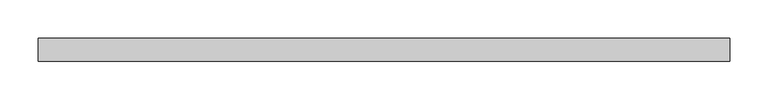
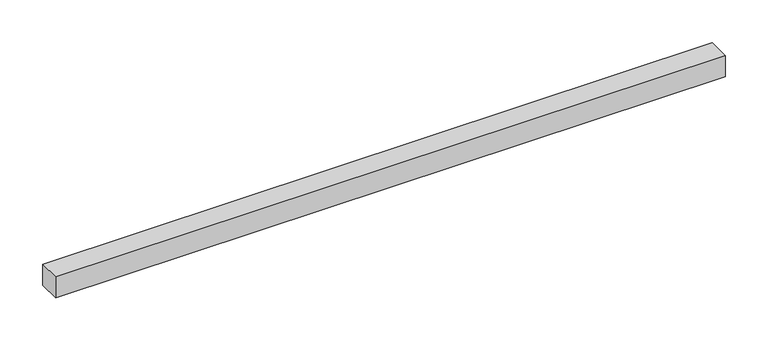
"""IFC4 building model written with IfcOpenShell, lengths in millimetres: proxy geometry."""

import ifcopenshell
import ifcopenshell.guid

model = None  # the IFC model being written
_history = None  # IfcOwnerHistory: only IFC2X3 demands one
_inside = {}  # id of a spatial element -> (the spatial element, [elements in it])
_under = {}  # id of a project, library or spatial element -> (it, [spatial elements below it])
_declared = {}  # id of a project -> (the project, [libraries it declares])
_typed = {}  # id of a type object -> (the type object, [elements of that type])
_made_of = {}  # id of a material, layer set ... -> (it, [elements and type objects made of it])


def new_model(schema):
    """Start an empty IFC model of exactly this schema.

    Asked for "IFC4X3", IfcOpenShell would pick the latest addendum, in which some entities
    have other attributes; the version numbers below select the first issue.
    IFC2X3 requires an IfcOwnerHistory on every rooted entity: one is made here for all.
    """
    global model, _history
    if schema == "IFC4X3":
        model = ifcopenshell.file(schema_version=(4, 3, 0, 0))
    else:
        model = ifcopenshell.file(schema=schema)
    _inside.clear()
    _under.clear()
    _declared.clear()
    _typed.clear()
    _made_of.clear()
    _history = None
    if model.schema == "IFC2X3":
        org = make("IfcOrganization", Name="unknown")
        user = make(
            "IfcPersonAndOrganization",
            ThePerson=make("IfcPerson", FamilyName="unknown"),
            TheOrganization=org,
        )
        app = make(
            "IfcApplication",
            ApplicationDeveloper=org,
            Version="unknown",
            ApplicationFullName="unknown",
            ApplicationIdentifier="unknown",
        )
        _history = make(
            "IfcOwnerHistory",
            OwningUser=user,
            OwningApplication=app,
            ChangeAction="ADDED",
            CreationDate=0,
        )
    return model


def make(cls, **values):
    """One entity of the class cls with the attributes given. An attribute that is None is left unset."""
    return model.create_entity(
        cls, **{name: value for name, value in values.items() if value is not None}
    )


def rooted(cls, **values):
    """An entity with a GlobalId (a new one), such as an element, a storey or a relation."""
    return make(cls, GlobalId=ifcopenshell.guid.new(), OwnerHistory=_history, **values)


def si_unit(unit_type, name, prefix=None):
    """IfcSIUnit, for example si_unit("LENGTHUNIT", "METRE", prefix="MILLI")."""
    return make("IfcSIUnit", UnitType=unit_type, Prefix=prefix, Name=name)


def assignment(units):
    """IfcUnitAssignment: the units of a project."""
    return None if units is None else make("IfcUnitAssignment", Units=units)


def point(xyz):
    """IfcCartesianPoint."""
    return None if xyz is None else make("IfcCartesianPoint", Coordinates=xyz)


def direction(xyz):
    """IfcDirection."""
    return None if xyz is None else make("IfcDirection", DirectionRatios=xyz)


def frame(location, z_axis=None, x_axis=None):
    """IfcAxis2Placement3D, a coordinate frame: its origin and axes. An axis left out is left unset."""
    return make(
        "IfcAxis2Placement3D",
        Location=point(location),
        Axis=direction(z_axis),
        RefDirection=direction(x_axis),
    )


def origin():
    """The frame at (0, 0, 0) with its axes left unset."""
    return frame((0.0, 0.0, 0.0))


def place(relative_to, where):
    """IfcLocalPlacement: puts the frame where relative to a parent placement (None: the world)."""
    return make(
        "IfcLocalPlacement", PlacementRelTo=relative_to, RelativePlacement=where
    )


def context(
    kind, dimensions, precision=None, world=None, true_north=None, identifier=None
):
    """IfcGeometricRepresentationContext, for example the 3D "Model" context."""
    return make(
        "IfcGeometricRepresentationContext",
        ContextIdentifier=identifier,
        ContextType=kind,
        CoordinateSpaceDimension=dimensions,
        Precision=precision,
        WorldCoordinateSystem=world,
        TrueNorth=true_north,
    )


def project(units=None, contexts=None):
    """IfcProject with its units and contexts."""
    return rooted(
        "IfcProject",
        Name="project",
        RepresentationContexts=contexts,
        UnitsInContext=assignment(units),
    )


def spatial(cls, under=None, at=None, **own):
    """A site, building, storey or space (cls), placed at a placement, below another one or the project."""
    s = rooted(cls, ObjectPlacement=at, **own)
    if under is not None:
        _under.setdefault(under.id(), (under, []))[1].append(s)
    return s


def polyline(points):
    """IfcPolyline through the points."""
    return make("IfcPolyline", Points=[point(p) for p in points])


def outline(outer, holes=None, kind="AREA"):
    """IfcArbitraryClosedProfileDef: a profile drawn as a closed curve; with holes, ...WithVoids."""
    if holes is None:
        return make("IfcArbitraryClosedProfileDef", ProfileType=kind, OuterCurve=outer)
    return make(
        "IfcArbitraryProfileDefWithVoids",
        ProfileType=kind,
        OuterCurve=outer,
        InnerCurves=holes,
    )


def extrude(swept, where, along, depth):
    """IfcExtrudedAreaSolid: the profile swept, set in the frame where, extruded along a direction by depth."""
    return make(
        "IfcExtrudedAreaSolid",
        SweptArea=swept,
        Position=where,
        ExtrudedDirection=direction(along),
        Depth=depth,
    )


def shape(context_of_items, identifier, shape_type, items):
    """IfcShapeRepresentation: the items that make up one representation, for example the "Body"."""
    return make(
        "IfcShapeRepresentation",
        ContextOfItems=context_of_items,
        RepresentationIdentifier=identifier,
        RepresentationType=shape_type,
        Items=items,
    )


def source(mapping_origin, context_of_items, identifier, shape_type, items):
    """IfcRepresentationMap: a shape defined once, which mapped items show again and again."""
    return make(
        "IfcRepresentationMap",
        MappingOrigin=mapping_origin,
        MappedRepresentation=shape(context_of_items, identifier, shape_type, items),
    )


def transform(
    local_origin,
    x_axis=None,
    y_axis=None,
    z_axis=None,
    scale=None,
    scale2=None,
    scale3=None,
    uniform=True,
):
    """IfcCartesianTransformationOperator3D, or its non-uniform kind. x_axis, y_axis, z_axis: its Axis1, 2, 3."""
    if uniform:
        return make(
            "IfcCartesianTransformationOperator3D",
            Axis1=direction(x_axis),
            Axis2=direction(y_axis),
            LocalOrigin=point(local_origin),
            Scale=scale,
            Axis3=direction(z_axis),
        )
    return make(
        "IfcCartesianTransformationOperator3DnonUniform",
        Axis1=direction(x_axis),
        Axis2=direction(y_axis),
        LocalOrigin=point(local_origin),
        Scale=scale,
        Axis3=direction(z_axis),
        Scale2=scale2,
        Scale3=scale3,
    )


def mapped(mapping_source, mapping_target):
    """IfcMappedItem: shows the shape of a source again, moved by a transform."""
    return make(
        "IfcMappedItem", MappingSource=mapping_source, MappingTarget=mapping_target
    )


def made_of(thing, what):
    """Note that an element or type object is made of a material, layer set ...; save() writes the relation."""
    if what is not None:
        _made_of.setdefault(what.id(), (what, []))[1].append(thing)
    return thing


def element(
    cls,
    number,
    at=None,
    inside=None,
    cuts=None,
    type_object=None,
    material=None,
    context=None,
    identifier="Body",
    shape_type=None,
    held_by="IfcProductDefinitionShape",
    body=None,
    shapes=None,
    **own,
):
    """One element of the class cls, such as IfcWall. Its Tag is "e" and its number.

    at: its placement. inside: the storey or other place that contains it. cuts: it is an
    opening in that element (IfcRelVoidsElement). A single representation is given by context,
    identifier, shape_type and body (its items); several are given by shapes. held_by: the class
    of the entity that holds the representations. save() writes the other relations.
    """
    e = rooted(cls, Tag="e%d" % number, ObjectPlacement=at, **own)
    if body is not None:
        shapes = [shape(context, identifier, shape_type, body)]
    if shapes is not None:
        e.Representation = make(held_by, Representations=shapes)
    if inside is not None:
        _inside.setdefault(inside.id(), (inside, []))[1].append(e)
    if cuts is not None:
        rooted(
            "IfcRelVoidsElement", RelatingBuildingElement=cuts, RelatedOpeningElement=e
        )
    if type_object is not None:
        _typed.setdefault(type_object.id(), (type_object, []))[1].append(e)
    return made_of(e, material)


def aggregate(whole, parts):
    """IfcRelAggregates: a whole, such as a stair, and the parts it consists of."""
    return rooted("IfcRelAggregates", RelatingObject=whole, RelatedObjects=parts)


def save(model, path):
    """Write the relations noted so far, then the file.

    IfcRelAggregates (storeys below a building ...), IfcRelContainedInSpatialStructure (elements
    in a storey), IfcRelDefinesByType, IfcRelAssociatesMaterial and IfcRelDeclares: one each for
    every whole, place, type object, material and project.
    """
    for whole, parts in _under.values():
        aggregate(whole, parts)
    for where, things in _inside.values():
        rooted(
            "IfcRelContainedInSpatialStructure",
            RelatedElements=things,
            RelatingStructure=where,
        )
    for kind, things in _typed.values():
        rooted("IfcRelDefinesByType", RelatedObjects=things, RelatingType=kind)
    for what, things in _made_of.values():
        rooted("IfcRelAssociatesMaterial", RelatedObjects=things, RelatingMaterial=what)
    for by, libraries in _declared.values():
        rooted("IfcRelDeclares", RelatingContext=by, RelatedDefinitions=libraries)
    model.write(path)


def mechanical_equipment_c36933ad(model_context):
    return source(origin(), model_context, "Body", "SweptSolid", [
        extrude(outline(polyline([(900.0, 15.0), (900.0, -15.0), (0.0, -15.0), (0.0, 15.0), (900.0, 15.0)])), frame((0.0, 0.0, -15.0), z_axis=(0.0, 0.0, 1.0), x_axis=(1.0, 0.0, 0.0)), (0.0, 0.0, 1.0), 30.0),
    ])


if __name__ == "__main__":
    model = new_model("IFC4")
    model_context = context("Model", 3, world=origin())
    ifc_project = project(units=[si_unit("LENGTHUNIT", "METRE", prefix="MILLI")], contexts=[model_context])
    site = spatial("IfcSite", under=ifc_project)
    building = spatial("IfcBuilding", under=site)
    placement = place(None, origin())
    mechanical_equipment_shape = mechanical_equipment_c36933ad(model_context)
    element("IfcBuildingElementProxy", 1, Name="Mechanical Equipment", at=placement, inside=building, context=model_context, shape_type="MappedRepresentation", body=[
        mapped(mechanical_equipment_shape, transform((0.0, 0.0, 0.0), x_axis=(1.0, 0.0, 0.0), y_axis=(0.0, 1.0, 0.0), z_axis=(0.0, 0.0, 1.0))),
    ])
    save(model, "model.ifc")
